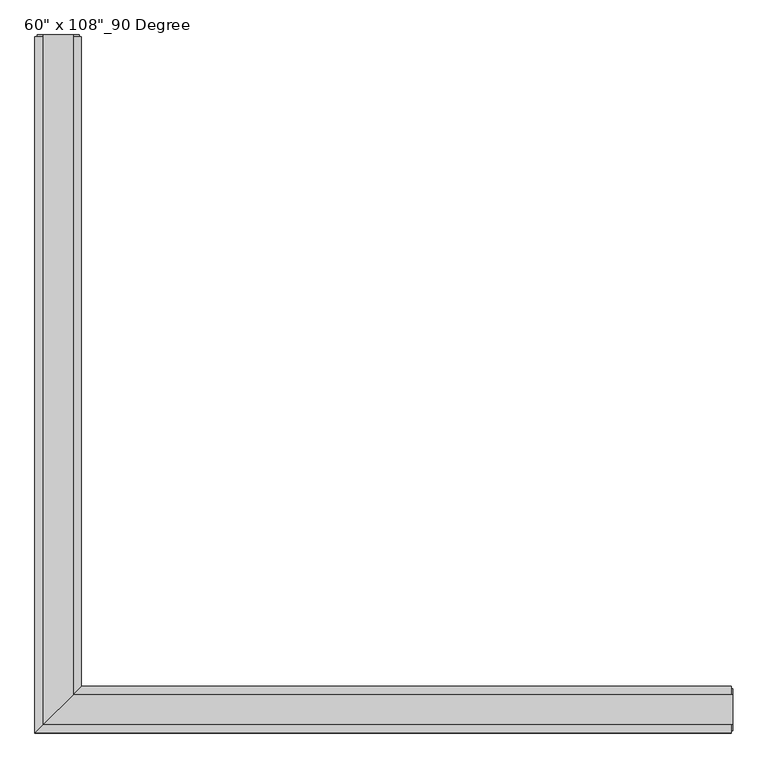
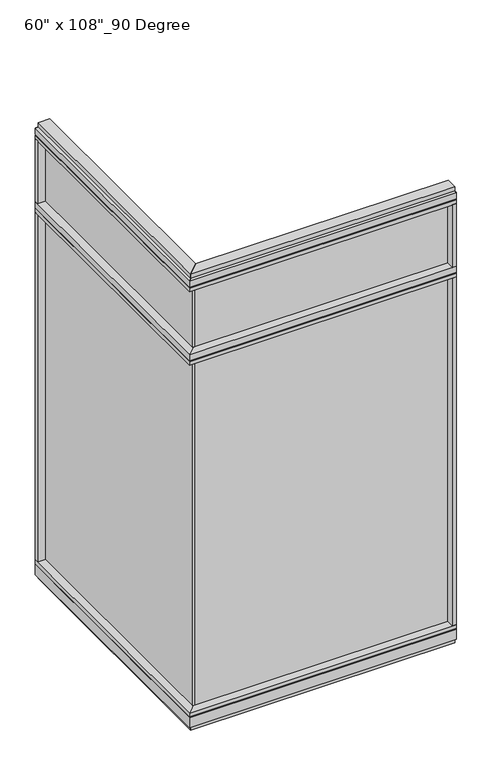
"""IFC4 building model written with IfcOpenShell, lengths in millimetres: furniture geometry."""

from ifc_helpers import new_model, si_unit, frame, origin, origin_with_axes, place, context, project, spatial, polyline, outline, extrude, faceted_brep, source, transform, mapped, element, save


def furniture_96de1aea(model_context):
    return source(origin(), model_context, "Body", "SolidModel", [
        extrude(outline(polyline([(-776.3165229, 1442.5202784), (-766.1565229, 1442.5202784), (-766.1565229, -9.5977216), (-776.3165229, -9.5977216), (-776.3165229, 1442.5202784)])), frame((0.0, 0.0, 2276.475), z_axis=(0.0, 0.0, 1.0), x_axis=(1.0, 0.0, 0.0)), (0.0, 0.0, 1.0), 355.6),
        extrude(outline(polyline([(-776.3165229, 1442.5202784), (-766.1565229, 1442.5202784), (-766.1565229, -9.5977216), (-776.3165229, -9.5977216), (-776.3165229, 1442.5202784)])), frame((0.0, 0.0, 120.523), z_axis=(0.0, 0.0, 1.0), x_axis=(1.0, 0.0, 0.0)), (0.0, 0.0, 1.0), 2114.677),
        extrude(outline(polyline([(-720.4365229, 1464.7452784), (-720.4365229, 46.2822784), (-822.0365229, -55.3177216), (-822.0365229, 1464.7452784), (-720.4365229, 1464.7452784)])), frame((0.0, 0.0, 2212.975), z_axis=(0.0, 0.0, 1.0), x_axis=(1.0, 0.0, 0.0)), (0.0, 0.0, 1.0), 22.225),
        faceted_brep([(-720.4365229, 46.2822784, 2240.153), (-720.4365229, 46.2822784, 2276.475), (-822.0365229, -55.3177216, 2276.475), (-822.0365229, -55.3177216, 2240.153), (-817.0835229, -50.3647216, 2240.153), (-817.0835229, -50.3647216, 2235.2), (-725.3895229, 41.3292784, 2235.2), (-725.3895229, 41.3292784, 2240.153), (-720.4365229, 1464.7452784, 2240.153), (-725.3895229, 1464.7452784, 2240.153), (-725.3895229, 1464.7452784, 2235.2), (-817.0835229, 1464.7452784, 2235.2), (-817.0835229, 1464.7452784, 2240.153), (-822.0365229, 1464.7452784, 2240.153), (-822.0365229, 1464.7452784, 2276.475), (-720.4365229, 1464.7452784, 2276.475)], [[[0, 1, 2, 3, 4, 5, 6, 7]], [[8, 9, 10, 11, 12, 13, 14, 15]], [[8, 0, 7, 9]], [[13, 3, 2, 14]], [[14, 2, 1, 15]], [[15, 1, 0, 8]], [[9, 7, 6, 10]], [[10, 6, 5, 11]], [[11, 5, 4, 12]], [[12, 4, 3, 13]]]),
        extrude(outline(polyline([(-822.0365229, 1442.5202784), (-822.0365229, 1464.7452784), (-720.4365229, 1464.7452784), (-720.4365229, 1442.5202784), (-822.0365229, 1442.5202784)])), frame((0.0, 0.0, 2276.475), z_axis=(0.0, 0.0, 1.0), x_axis=(1.0, 0.0, 0.0)), (0.0, 0.0, 1.0), 377.825),
        extrude(outline(polyline([(-720.4365229, 1464.7452784), (-720.4365229, 46.2822784), (-822.0365229, -55.3177216), (-822.0365229, 1464.7452784), (-720.4365229, 1464.7452784)])), frame((0.0, 0.0, 2654.3), z_axis=(0.0, 0.0, 1.0), x_axis=(1.0, 0.0, 0.0)), (0.0, 0.0, 1.0), 22.225),
        faceted_brep([(-720.4365229, 46.2822784, 2681.478), (-720.4365229, 46.2822784, 2717.8), (-822.0365229, -55.3177216, 2717.8), (-822.0365229, -55.3177216, 2681.478), (-817.0835229, -50.3647216, 2681.478), (-817.0835229, -50.3647216, 2676.525), (-725.3895229, 41.3292784, 2676.525), (-725.3895229, 41.3292784, 2681.478), (-720.4365229, 1464.7452784, 2681.478), (-725.3895229, 1464.7452784, 2681.478), (-725.3895229, 1464.7452784, 2676.525), (-817.0835229, 1464.7452784, 2676.525), (-817.0835229, 1464.7452784, 2681.478), (-822.0365229, 1464.7452784, 2681.478), (-822.0365229, 1464.7452784, 2717.8), (-720.4365229, 1464.7452784, 2717.8)], [[[0, 1, 2, 3, 4, 5, 6, 7]], [[8, 9, 10, 11, 12, 13, 14, 15]], [[8, 0, 7, 9]], [[13, 3, 2, 14]], [[14, 2, 1, 15]], [[15, 1, 0, 8]], [[9, 7, 6, 10]], [[10, 6, 5, 11]], [[11, 5, 4, 12]], [[12, 4, 3, 13]]]),
        extrude(outline(polyline([(-738.7245229, 1468.6822784), (-738.7245229, 27.9942784), (-803.7485229, -37.0297216), (-803.7485229, 1468.6822784), (-738.7245229, 1468.6822784)])), frame((0.0, 0.0, 2717.8), z_axis=(0.0, 0.0, 1.0), x_axis=(1.0, 0.0, 0.0)), (0.0, 0.0, 1.0), 25.4),
        faceted_brep([(-725.3895229, 41.3292784, 93.345), (-725.3895229, 41.3292784, 98.298), (-817.0835229, -50.3647216, 98.298), (-817.0835229, -50.3647216, 93.345), (-822.0365229, -55.3177216, 93.345), (-822.0365229, -55.3177216, 31.75), (-720.4365229, 46.2822784, 31.75), (-720.4365229, 46.2822784, 93.345), (-720.4365229, 1464.7452784, 93.345), (-720.4365229, 1464.7452784, 31.75), (-822.0365229, 1464.7452784, 31.75), (-822.0365229, 1464.7452784, 93.345), (-817.0835229, 1464.7452784, 93.345), (-817.0835229, 1464.7452784, 98.298), (-725.3895229, 1464.7452784, 98.298), (-725.3895229, 1464.7452784, 93.345)], [[[0, 1, 2, 3, 4, 5, 6, 7]], [[8, 9, 10, 11, 12, 13, 14, 15]], [[15, 0, 7, 8]], [[10, 5, 4, 11]], [[9, 6, 5, 10]], [[8, 7, 6, 9]], [[14, 1, 0, 15]], [[13, 2, 1, 14]], [[12, 3, 2, 13]], [[11, 4, 3, 12]]]),
        extrude(outline(polyline([(-720.4365229, 1464.7452784), (-720.4365229, 46.2822784), (-822.0365229, -55.3177216), (-822.0365229, 1464.7452784), (-720.4365229, 1464.7452784)])), frame((0.0, 0.0, 98.298), z_axis=(0.0, 0.0, 1.0), x_axis=(1.0, 0.0, 0.0)), (0.0, 0.0, 1.0), 22.225),
        extrude(outline(polyline([(-738.7245229, 1468.6822784), (-738.7245229, 27.9942784), (-803.7485229, -37.0297216), (-803.7485229, 1468.6822784), (-738.7245229, 1468.6822784)])), origin_with_axes(), (0.0, 0.0, 1.0), 31.75),
        extrude(outline(polyline([(-822.0365229, 1442.5202784), (-822.0365229, 1464.7452784), (-720.4365229, 1464.7452784), (-720.4365229, 1442.5202784), (-822.0365229, 1442.5202784)])), frame((0.0, 0.0, 120.523), z_axis=(0.0, 0.0, 1.0), x_axis=(1.0, 0.0, 0.0)), (0.0, 0.0, 1.0), 2092.452),
        extrude(outline(polyline([(-817.0835229, 1468.6822784), (-725.3895229, 1468.6822784), (-725.3895229, 1464.7452784), (-817.0835229, 1464.7452784), (-817.0835229, 1468.6822784)])), frame((0.0, 0.0, 31.75), z_axis=(0.0, 0.0, 1.0), x_axis=(1.0, 0.0, 0.0)), (0.0, 0.0, 1.0), 2686.05),
        extrude(outline(polyline([(675.8014771, -9.5977216), (-776.3165229, -9.5977216), (-776.3165229, 0.5622784), (675.8014771, 0.5622784), (675.8014771, -9.5977216)])), frame((0.0, 0.0, 2276.475), z_axis=(0.0, 0.0, 1.0), x_axis=(1.0, 0.0, 0.0)), (0.0, 0.0, 1.0), 355.6),
        extrude(outline(polyline([(675.8014771, -9.5977216), (-776.3165229, -9.5977216), (-776.3165229, 0.5622784), (675.8014771, 0.5622784), (675.8014771, -9.5977216)])), frame((0.0, 0.0, 120.523), z_axis=(0.0, 0.0, 1.0), x_axis=(1.0, 0.0, 0.0)), (0.0, 0.0, 1.0), 2114.677),
        extrude(outline(polyline([(698.0264771, 46.2822784), (698.0264771, -55.3177216), (-822.0365229, -55.3177216), (-720.4365229, 46.2822784), (698.0264771, 46.2822784)])), frame((0.0, 0.0, 2212.975), z_axis=(0.0, 0.0, 1.0), x_axis=(1.0, 0.0, 0.0)), (0.0, 0.0, 1.0), 22.225),
        faceted_brep([(-720.4365229, 46.2822784, 2240.153), (-725.3895229, 41.3292784, 2240.153), (-725.3895229, 41.3292784, 2235.2), (-817.0835229, -50.3647216, 2235.2), (-817.0835229, -50.3647216, 2240.153), (-822.0365229, -55.3177216, 2240.153), (-822.0365229, -55.3177216, 2276.475), (-720.4365229, 46.2822784, 2276.475), (698.0264771, 46.2822784, 2240.153), (698.0264771, 46.2822784, 2276.475), (698.0264771, -55.3177216, 2276.475), (698.0264771, -55.3177216, 2240.153), (698.0264771, -50.3647216, 2240.153), (698.0264771, -50.3647216, 2235.2), (698.0264771, 41.3292784, 2235.2), (698.0264771, 41.3292784, 2240.153)], [[[0, 1, 2, 3, 4, 5, 6, 7]], [[8, 9, 10, 11, 12, 13, 14, 15]], [[8, 15, 1, 0]], [[11, 10, 6, 5]], [[10, 9, 7, 6]], [[9, 8, 0, 7]], [[15, 14, 2, 1]], [[14, 13, 3, 2]], [[13, 12, 4, 3]], [[12, 11, 5, 4]]]),
        extrude(outline(polyline([(675.8014771, -55.3177216), (675.8014771, 46.2822784), (698.0264771, 46.2822784), (698.0264771, -55.3177216), (675.8014771, -55.3177216)])), frame((0.0, 0.0, 2276.475), z_axis=(0.0, 0.0, 1.0), x_axis=(1.0, 0.0, 0.0)), (0.0, 0.0, 1.0), 377.825),
        extrude(outline(polyline([(698.0264771, 46.2822784), (698.0264771, -55.3177216), (-822.0365229, -55.3177216), (-720.4365229, 46.2822784), (698.0264771, 46.2822784)])), frame((0.0, 0.0, 2654.3), z_axis=(0.0, 0.0, 1.0), x_axis=(1.0, 0.0, 0.0)), (0.0, 0.0, 1.0), 22.225),
        faceted_brep([(-720.4365229, 46.2822784, 2681.478), (-725.3895229, 41.3292784, 2681.478), (-725.3895229, 41.3292784, 2676.525), (-817.0835229, -50.3647216, 2676.525), (-817.0835229, -50.3647216, 2681.478), (-822.0365229, -55.3177216, 2681.478), (-822.0365229, -55.3177216, 2717.8), (-720.4365229, 46.2822784, 2717.8), (698.0264771, 46.2822784, 2681.478), (698.0264771, 46.2822784, 2717.8), (698.0264771, -55.3177216, 2717.8), (698.0264771, -55.3177216, 2681.478), (698.0264771, -50.3647216, 2681.478), (698.0264771, -50.3647216, 2676.525), (698.0264771, 41.3292784, 2676.525), (698.0264771, 41.3292784, 2681.478)], [[[0, 1, 2, 3, 4, 5, 6, 7]], [[8, 9, 10, 11, 12, 13, 14, 15]], [[8, 15, 1, 0]], [[11, 10, 6, 5]], [[10, 9, 7, 6]], [[9, 8, 0, 7]], [[15, 14, 2, 1]], [[14, 13, 3, 2]], [[13, 12, 4, 3]], [[12, 11, 5, 4]]]),
        extrude(outline(polyline([(701.9634771, 27.9942784), (701.9634771, -37.0297216), (-803.7485229, -37.0297216), (-738.7245229, 27.9942784), (701.9634771, 27.9942784)])), frame((0.0, 0.0, 2717.8), z_axis=(0.0, 0.0, 1.0), x_axis=(1.0, 0.0, 0.0)), (0.0, 0.0, 1.0), 25.4),
        faceted_brep([(-725.3895229, 41.3292784, 93.345), (-720.4365229, 46.2822784, 93.345), (-720.4365229, 46.2822784, 31.75), (-822.0365229, -55.3177216, 31.75), (-822.0365229, -55.3177216, 93.345), (-817.0835229, -50.3647216, 93.345), (-817.0835229, -50.3647216, 98.298), (-725.3895229, 41.3292784, 98.298), (698.0264771, 46.2822784, 93.345), (698.0264771, 41.3292784, 93.345), (698.0264771, 41.3292784, 98.298), (698.0264771, -50.3647216, 98.298), (698.0264771, -50.3647216, 93.345), (698.0264771, -55.3177216, 93.345), (698.0264771, -55.3177216, 31.75), (698.0264771, 46.2822784, 31.75)], [[[0, 1, 2, 3, 4, 5, 6, 7]], [[8, 9, 10, 11, 12, 13, 14, 15]], [[9, 8, 1, 0]], [[14, 13, 4, 3]], [[15, 14, 3, 2]], [[8, 15, 2, 1]], [[10, 9, 0, 7]], [[11, 10, 7, 6]], [[12, 11, 6, 5]], [[13, 12, 5, 4]]]),
        extrude(outline(polyline([(698.0264771, 46.2822784), (698.0264771, -55.3177216), (-822.0365229, -55.3177216), (-720.4365229, 46.2822784), (698.0264771, 46.2822784)])), frame((0.0, 0.0, 98.298), z_axis=(0.0, 0.0, 1.0), x_axis=(1.0, 0.0, 0.0)), (0.0, 0.0, 1.0), 22.225),
        extrude(outline(polyline([(701.9634771, 27.9942784), (701.9634771, -37.0297216), (-803.7485229, -37.0297216), (-738.7245229, 27.9942784), (701.9634771, 27.9942784)])), origin_with_axes(), (0.0, 0.0, 1.0), 31.75),
        extrude(outline(polyline([(675.8014771, -55.3177216), (675.8014771, 46.2822784), (698.0264771, 46.2822784), (698.0264771, -55.3177216), (675.8014771, -55.3177216)])), frame((0.0, 0.0, 120.523), z_axis=(0.0, 0.0, 1.0), x_axis=(1.0, 0.0, 0.0)), (0.0, 0.0, 1.0), 2092.452),
        extrude(outline(polyline([(701.9634771, -50.3647216), (698.0264771, -50.3647216), (698.0264771, 41.3292784), (701.9634771, 41.3292784), (701.9634771, -50.3647216)])), frame((0.0, 0.0, 31.75), z_axis=(0.0, 0.0, 1.0), x_axis=(1.0, 0.0, 0.0)), (0.0, 0.0, 1.0), 2686.05),
    ])


if __name__ == "__main__":
    model = new_model("IFC4")
    model_context = context("Model", 3, world=origin())
    ifc_project = project(units=[si_unit("LENGTHUNIT", "METRE", prefix="MILLI")], contexts=[model_context])
    site = spatial("IfcSite", under=ifc_project)
    building = spatial("IfcBuilding", under=site)
    placement = place(None, origin())
    furniture_shape = furniture_96de1aea(model_context)
    element("IfcFurniture", 1, ObjectType="60\" x 108\"_90 Degree", at=placement, inside=building, context=model_context, shape_type="MappedRepresentation", body=[
        mapped(furniture_shape, transform((0.0, 0.0, 0.0), x_axis=(1.0, 0.0, 0.0), y_axis=(0.0, 1.0, 0.0), z_axis=(0.0, 0.0, 1.0))),
    ])
    save(model, "model.ifc")
